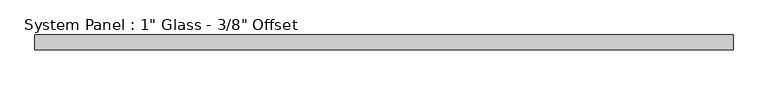
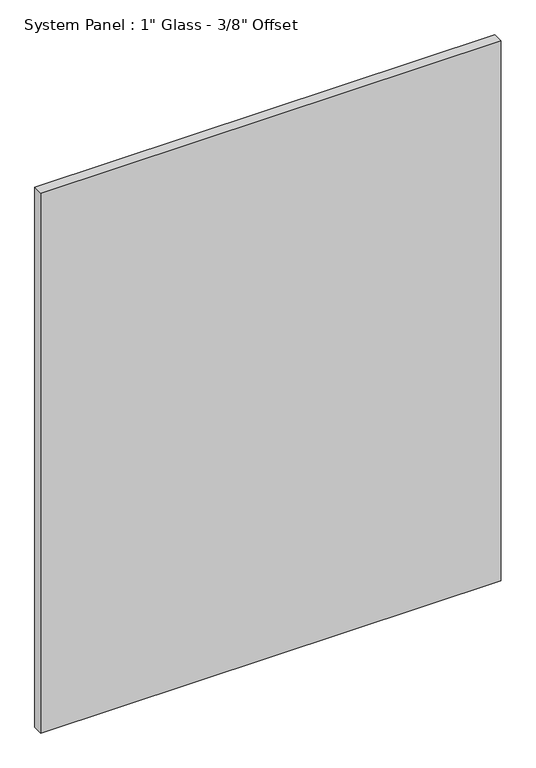
"""IFC4 building model written with IfcOpenShell, lengths in millimetres: plate geometry."""

import ifcopenshell
import ifcopenshell.guid

model = None  # the IFC model being written
_history = None  # IfcOwnerHistory: only IFC2X3 demands one
_inside = {}  # id of a spatial element -> (the spatial element, [elements in it])
_under = {}  # id of a project, library or spatial element -> (it, [spatial elements below it])
_declared = {}  # id of a project -> (the project, [libraries it declares])
_typed = {}  # id of a type object -> (the type object, [elements of that type])
_made_of = {}  # id of a material, layer set ... -> (it, [elements and type objects made of it])


def new_model(schema):
    """Start an empty IFC model of exactly this schema.

    Asked for "IFC4X3", IfcOpenShell would pick the latest addendum, in which some entities
    have other attributes; the version numbers below select the first issue.
    IFC2X3 requires an IfcOwnerHistory on every rooted entity: one is made here for all.
    """
    global model, _history
    if schema == "IFC4X3":
        model = ifcopenshell.file(schema_version=(4, 3, 0, 0))
    else:
        model = ifcopenshell.file(schema=schema)
    _inside.clear()
    _under.clear()
    _declared.clear()
    _typed.clear()
    _made_of.clear()
    _history = None
    if model.schema == "IFC2X3":
        org = make("IfcOrganization", Name="unknown")
        user = make(
            "IfcPersonAndOrganization",
            ThePerson=make("IfcPerson", FamilyName="unknown"),
            TheOrganization=org,
        )
        app = make(
            "IfcApplication",
            ApplicationDeveloper=org,
            Version="unknown",
            ApplicationFullName="unknown",
            ApplicationIdentifier="unknown",
        )
        _history = make(
            "IfcOwnerHistory",
            OwningUser=user,
            OwningApplication=app,
            ChangeAction="ADDED",
            CreationDate=0,
        )
    return model


def make(cls, **values):
    """One entity of the class cls with the attributes given. An attribute that is None is left unset."""
    return model.create_entity(
        cls, **{name: value for name, value in values.items() if value is not None}
    )


def rooted(cls, **values):
    """An entity with a GlobalId (a new one), such as an element, a storey or a relation."""
    return make(cls, GlobalId=ifcopenshell.guid.new(), OwnerHistory=_history, **values)


def si_unit(unit_type, name, prefix=None):
    """IfcSIUnit, for example si_unit("LENGTHUNIT", "METRE", prefix="MILLI")."""
    return make("IfcSIUnit", UnitType=unit_type, Prefix=prefix, Name=name)


def assignment(units):
    """IfcUnitAssignment: the units of a project."""
    return None if units is None else make("IfcUnitAssignment", Units=units)


def point(xyz):
    """IfcCartesianPoint."""
    return None if xyz is None else make("IfcCartesianPoint", Coordinates=xyz)


def direction(xyz):
    """IfcDirection."""
    return None if xyz is None else make("IfcDirection", DirectionRatios=xyz)


def frame(location, z_axis=None, x_axis=None):
    """IfcAxis2Placement3D, a coordinate frame: its origin and axes. An axis left out is left unset."""
    return make(
        "IfcAxis2Placement3D",
        Location=point(location),
        Axis=direction(z_axis),
        RefDirection=direction(x_axis),
    )


def origin():
    """The frame at (0, 0, 0) with its axes left unset."""
    return frame((0.0, 0.0, 0.0))


def origin_with_axes():
    """The frame at (0, 0, 0) with the z axis (0, 0, 1) and the x axis (1, 0, 0) written out."""
    return frame((0.0, 0.0, 0.0), z_axis=(0.0, 0.0, 1.0), x_axis=(1.0, 0.0, 0.0))


def place(relative_to, where):
    """IfcLocalPlacement: puts the frame where relative to a parent placement (None: the world)."""
    return make(
        "IfcLocalPlacement", PlacementRelTo=relative_to, RelativePlacement=where
    )


def context(
    kind, dimensions, precision=None, world=None, true_north=None, identifier=None
):
    """IfcGeometricRepresentationContext, for example the 3D "Model" context."""
    return make(
        "IfcGeometricRepresentationContext",
        ContextIdentifier=identifier,
        ContextType=kind,
        CoordinateSpaceDimension=dimensions,
        Precision=precision,
        WorldCoordinateSystem=world,
        TrueNorth=true_north,
    )


def project(units=None, contexts=None):
    """IfcProject with its units and contexts."""
    return rooted(
        "IfcProject",
        Name="project",
        RepresentationContexts=contexts,
        UnitsInContext=assignment(units),
    )


def spatial(cls, under=None, at=None, **own):
    """A site, building, storey or space (cls), placed at a placement, below another one or the project."""
    s = rooted(cls, ObjectPlacement=at, **own)
    if under is not None:
        _under.setdefault(under.id(), (under, []))[1].append(s)
    return s


def polyline(points):
    """IfcPolyline through the points."""
    return make("IfcPolyline", Points=[point(p) for p in points])


def outline(outer, holes=None, kind="AREA"):
    """IfcArbitraryClosedProfileDef: a profile drawn as a closed curve; with holes, ...WithVoids."""
    if holes is None:
        return make("IfcArbitraryClosedProfileDef", ProfileType=kind, OuterCurve=outer)
    return make(
        "IfcArbitraryProfileDefWithVoids",
        ProfileType=kind,
        OuterCurve=outer,
        InnerCurves=holes,
    )


def extrude(swept, where, along, depth):
    """IfcExtrudedAreaSolid: the profile swept, set in the frame where, extruded along a direction by depth."""
    return make(
        "IfcExtrudedAreaSolid",
        SweptArea=swept,
        Position=where,
        ExtrudedDirection=direction(along),
        Depth=depth,
    )


def shape(context_of_items, identifier, shape_type, items):
    """IfcShapeRepresentation: the items that make up one representation, for example the "Body"."""
    return make(
        "IfcShapeRepresentation",
        ContextOfItems=context_of_items,
        RepresentationIdentifier=identifier,
        RepresentationType=shape_type,
        Items=items,
    )


def source(mapping_origin, context_of_items, identifier, shape_type, items):
    """IfcRepresentationMap: a shape defined once, which mapped items show again and again."""
    return make(
        "IfcRepresentationMap",
        MappingOrigin=mapping_origin,
        MappedRepresentation=shape(context_of_items, identifier, shape_type, items),
    )


def transform(
    local_origin,
    x_axis=None,
    y_axis=None,
    z_axis=None,
    scale=None,
    scale2=None,
    scale3=None,
    uniform=True,
):
    """IfcCartesianTransformationOperator3D, or its non-uniform kind. x_axis, y_axis, z_axis: its Axis1, 2, 3."""
    if uniform:
        return make(
            "IfcCartesianTransformationOperator3D",
            Axis1=direction(x_axis),
            Axis2=direction(y_axis),
            LocalOrigin=point(local_origin),
            Scale=scale,
            Axis3=direction(z_axis),
        )
    return make(
        "IfcCartesianTransformationOperator3DnonUniform",
        Axis1=direction(x_axis),
        Axis2=direction(y_axis),
        LocalOrigin=point(local_origin),
        Scale=scale,
        Axis3=direction(z_axis),
        Scale2=scale2,
        Scale3=scale3,
    )


def mapped(mapping_source, mapping_target):
    """IfcMappedItem: shows the shape of a source again, moved by a transform."""
    return make(
        "IfcMappedItem", MappingSource=mapping_source, MappingTarget=mapping_target
    )


def made_of(thing, what):
    """Note that an element or type object is made of a material, layer set ...; save() writes the relation."""
    if what is not None:
        _made_of.setdefault(what.id(), (what, []))[1].append(thing)
    return thing


def element(
    cls,
    number,
    at=None,
    inside=None,
    cuts=None,
    type_object=None,
    material=None,
    context=None,
    identifier="Body",
    shape_type=None,
    held_by="IfcProductDefinitionShape",
    body=None,
    shapes=None,
    **own,
):
    """One element of the class cls, such as IfcWall. Its Tag is "e" and its number.

    at: its placement. inside: the storey or other place that contains it. cuts: it is an
    opening in that element (IfcRelVoidsElement). A single representation is given by context,
    identifier, shape_type and body (its items); several are given by shapes. held_by: the class
    of the entity that holds the representations. save() writes the other relations.
    """
    e = rooted(cls, Tag="e%d" % number, ObjectPlacement=at, **own)
    if body is not None:
        shapes = [shape(context, identifier, shape_type, body)]
    if shapes is not None:
        e.Representation = make(held_by, Representations=shapes)
    if inside is not None:
        _inside.setdefault(inside.id(), (inside, []))[1].append(e)
    if cuts is not None:
        rooted(
            "IfcRelVoidsElement", RelatingBuildingElement=cuts, RelatedOpeningElement=e
        )
    if type_object is not None:
        _typed.setdefault(type_object.id(), (type_object, []))[1].append(e)
    return made_of(e, material)


def aggregate(whole, parts):
    """IfcRelAggregates: a whole, such as a stair, and the parts it consists of."""
    return rooted("IfcRelAggregates", RelatingObject=whole, RelatedObjects=parts)


def save(model, path):
    """Write the relations noted so far, then the file.

    IfcRelAggregates (storeys below a building ...), IfcRelContainedInSpatialStructure (elements
    in a storey), IfcRelDefinesByType, IfcRelAssociatesMaterial and IfcRelDeclares: one each for
    every whole, place, type object, material and project.
    """
    for whole, parts in _under.values():
        aggregate(whole, parts)
    for where, things in _inside.values():
        rooted(
            "IfcRelContainedInSpatialStructure",
            RelatedElements=things,
            RelatingStructure=where,
        )
    for kind, things in _typed.values():
        rooted("IfcRelDefinesByType", RelatedObjects=things, RelatingType=kind)
    for what, things in _made_of.values():
        rooted("IfcRelAssociatesMaterial", RelatedObjects=things, RelatingMaterial=what)
    for by, libraries in _declared.values():
        rooted("IfcRelDeclares", RelatingContext=by, RelatedDefinitions=libraries)
    model.write(path)


def plate_37764fea(model_context):
    return source(origin(), model_context, "Body", "SweptSolid", [
        extrude(outline(polyline([(594.1591185, -3.175), (-594.1591185, -3.175), (-594.1591185, 22.225), (594.1591185, 22.225), (594.1591185, -3.175)])), origin_with_axes(), (0.0, 0.0, 1.0), 1473.2),
    ])


if __name__ == "__main__":
    model = new_model("IFC4")
    model_context = context("Model", 3, world=origin())
    ifc_project = project(units=[si_unit("LENGTHUNIT", "METRE", prefix="MILLI")], contexts=[model_context])
    site = spatial("IfcSite", under=ifc_project)
    building = spatial("IfcBuilding", under=site)
    placement = place(None, origin())
    plate_shape = plate_37764fea(model_context)
    element("IfcPlate", 1, ObjectType="System Panel : 1\" Glass - 3/8\" Offset", at=placement, inside=building, context=model_context, shape_type="MappedRepresentation", body=[
        mapped(plate_shape, transform((0.0, 0.0, 0.0), x_axis=(1.0, 0.0, 0.0), y_axis=(0.0, 1.0, 0.0), z_axis=(0.0, 0.0, 1.0))),
    ])
    save(model, "model.ifc")
